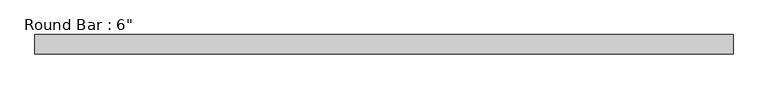
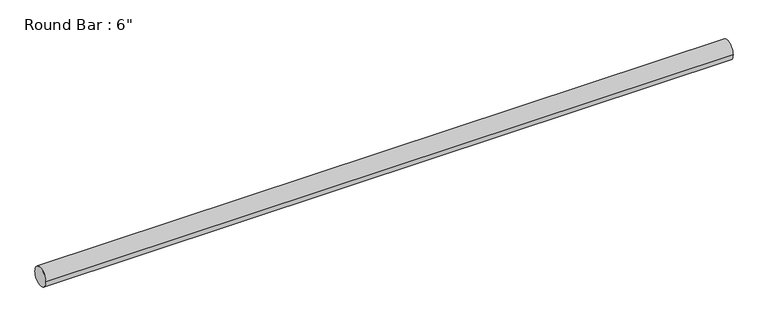
"""IFC4 building model written with IfcOpenShell, lengths in millimetres: beam geometry."""

from ifc_helpers import new_model, si_unit, point, frame, origin, origin_2d, place, context, project, spatial, circle_curve, trimmed, segment, composite_curve, outline, extrude, source, transform, mapped, element, save


def beam_7fd9844e(model_context):
    return source(origin(), model_context, "Body", "SweptSolid", [
        extrude(outline(composite_curve([segment(trimmed(circle_curve(origin_2d(), 76.2), [point((-76.2, 0.0))], [point((76.2, 0.0))], False, "CARTESIAN"), True, "CONTINUOUS"), segment(trimmed(circle_curve(origin_2d(), 76.2), [point((76.2, 0.0))], [point((-76.2, 0.0))], False, "CARTESIAN"), True, "CONTINUOUS")], self_intersect=False)), frame((-2738.5974591, 0.0, 0.0), z_axis=(1.0, 0.0, 0.0), x_axis=(0.0, 1.0, 0.0)), (0.0, 0.0, 1.0), 5477.1949183),
    ])


if __name__ == "__main__":
    model = new_model("IFC4")
    model_context = context("Model", 3, world=origin())
    ifc_project = project(units=[si_unit("LENGTHUNIT", "METRE", prefix="MILLI")], contexts=[model_context])
    site = spatial("IfcSite", under=ifc_project)
    building = spatial("IfcBuilding", under=site)
    placement = place(None, origin())
    beam_shape = beam_7fd9844e(model_context)
    element("IfcBeam", 1, ObjectType="Round Bar : 6\"", at=placement, inside=building, context=model_context, shape_type="MappedRepresentation", body=[
        mapped(beam_shape, transform((0.0, 0.0, 0.0), x_axis=(1.0, 0.0, 0.0), y_axis=(0.0, 1.0, 0.0), z_axis=(0.0, 0.0, 1.0))),
    ])
    save(model, "model.ifc")
